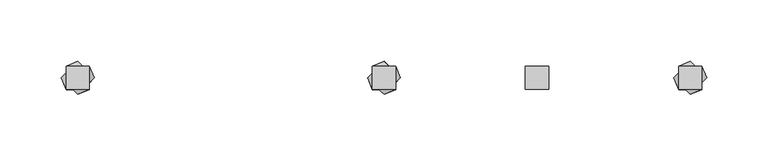
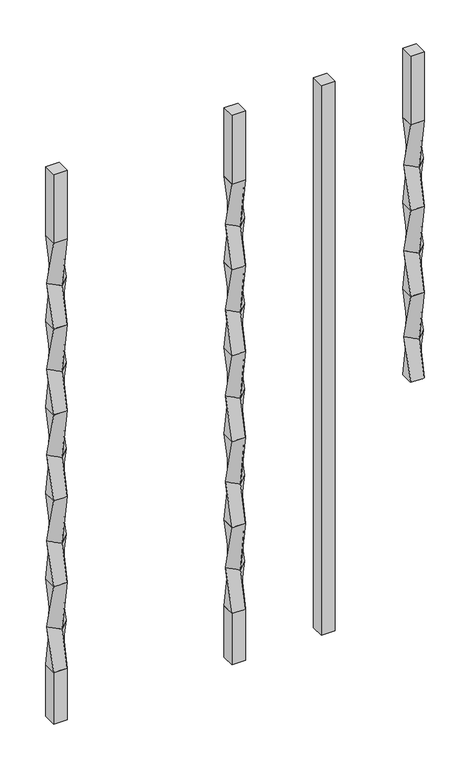
"""IFC4 building model written with IfcOpenShell, lengths in millimetres: proxy geometry."""

from ifc_helpers import new_model, si_unit, frame, origin, place, context, project, spatial, polyline, outline, extrude, source, transform, mapped, element, save
from ifc_brep_helpers import plane_surface, spline_surface, advanced_brep


def specialty_equipment_8f56bf2d(model_context):
    return source(origin(), model_context, "Body", "SolidModel", [
        extrude(outline(polyline([(134.540625, 9.525), (134.540625, -9.525), (115.490625, -9.525), (115.490625, 9.525), (134.540625, 9.525)])), frame((0.0, 0.0, 812.8), z_axis=(0.0, 0.0, 1.0), x_axis=(1.0, 0.0, 0.0)), (0.0, 0.0, 1.0), 101.6),
        advanced_brep(
        [(115.490625, 9.525, 812.8), (115.490625, -9.525, 812.8), (134.540625, -9.525, 812.8), (134.540625, 9.525, 812.8), (125.015625, 13.4703842, 749.3), (138.4860092, 0.0, 749.3), (125.015625, -13.4703842, 749.3), (111.5452408, 0.0, 749.3)],
        [
            (0, 1),
            (1, 2),
            (2, 3),
            (3, 0),
            (4, 5),
            (5, 6),
            (6, 7),
            (7, 4),
            (4, 0),
            (3, 5),
            (2, 6),
            (1, 7),
        ],
        [
            plane_surface(frame((125.015625, 0.0, 812.8), z_axis=(0.0, 0.0, 1.0), x_axis=(0.0, -1.0, 0.0))),
            plane_surface(frame((125.015625, 0.0, 749.3), z_axis=(0.0, 0.0, -1.0), x_axis=(0.0, -1.0, 0.0))),
            spline_surface(1, 1, [[(138.4860092, 0.0, 749.3), (134.540625, 9.525, 812.8)], [(125.015625, 13.4703842, 749.3), (115.490625, 9.525, 812.8)]], [2, 2], [2, 2], [0.0, 1.0], [0.0, 1.0]),
            spline_surface(1, 1, [[(125.015625, -13.4703842, 749.3), (134.540625, -9.525, 812.8)], [(138.4860092, 0.0, 749.3), (134.540625, 9.525, 812.8)]], [2, 2], [2, 2], [0.0, 1.0], [0.0, 1.0]),
            spline_surface(1, 1, [[(111.5452408, 0.0, 749.3), (115.490625, -9.525, 812.8)], [(125.015625, -13.4703842, 749.3), (134.540625, -9.525, 812.8)]], [2, 2], [2, 2], [0.0, 1.0], [0.0, 1.0]),
            spline_surface(1, 1, [[(125.015625, 13.4703842, 749.3), (115.490625, 9.525, 812.8)], [(111.5452408, 0.0, 749.3), (115.490625, -9.525, 812.8)]], [2, 2], [2, 2], [0.0, 1.0], [0.0, 1.0]),
        ],
        [
            (0, [[1, 2, 3, 4]]),
            (1, [[5, 6, 7, 8]]),
            (2, [[-5, 9, -4, 10]]),
            (3, [[-6, -10, -3, 11]]),
            (4, [[-7, -11, -2, 12]]),
            (5, [[-8, -12, -1, -9]]),
        ],
    ),
        advanced_brep(
        [(125.015625, 13.4703842, 749.3), (111.5452408, 0.0, 749.3), (125.015625, -13.4703842, 749.3), (138.4860092, 0.0, 749.3), (115.490625, 9.525, 685.8), (134.540625, 9.525, 685.8), (134.540625, -9.525, 685.8), (115.490625, -9.525, 685.8)],
        [
            (0, 1),
            (1, 2),
            (2, 3),
            (3, 0),
            (4, 5),
            (5, 6),
            (6, 7),
            (7, 4),
            (4, 0),
            (3, 5),
            (2, 6),
            (1, 7),
        ],
        [
            plane_surface(frame((125.015625, 0.0, 749.3), z_axis=(0.0, 0.0, 1.0000000000000002), x_axis=(0.7071067811865481, -0.707106781186547, 0.0))),
            plane_surface(frame((125.015625, 0.0, 685.8), z_axis=(0.0, 0.0, -1.0000000000000002), x_axis=(0.7071067811865481, -0.707106781186547, 0.0))),
            spline_surface(1, 1, [[(134.540625, 9.525, 685.8), (138.4860092, 0.0, 749.3)], [(115.490625, 9.525, 685.8), (125.015625, 13.4703842, 749.3)]], [2, 2], [2, 2], [0.0, 1.0], [0.0, 1.0]),
            spline_surface(1, 1, [[(134.540625, -9.525, 685.8), (125.015625, -13.4703842, 749.3)], [(134.540625, 9.525, 685.8), (138.4860092, 0.0, 749.3)]], [2, 2], [2, 2], [0.0, 1.0], [0.0, 1.0]),
            spline_surface(1, 1, [[(115.490625, -9.525, 685.8), (111.5452408, 0.0, 749.3)], [(134.540625, -9.525, 685.8), (125.015625, -13.4703842, 749.3)]], [2, 2], [2, 2], [0.0, 1.0], [0.0, 1.0]),
            spline_surface(1, 1, [[(115.490625, 9.525, 685.8), (125.015625, 13.4703842, 749.3)], [(115.490625, -9.525, 685.8), (111.5452408, 0.0, 749.3)]], [2, 2], [2, 2], [0.0, 1.0], [0.0, 1.0]),
        ],
        [
            (0, [[1, 2, 3, 4]]),
            (1, [[5, 6, 7, 8]]),
            (2, [[-5, 9, -4, 10]]),
            (3, [[-6, -10, -3, 11]]),
            (4, [[-7, -11, -2, 12]]),
            (5, [[-8, -12, -1, -9]]),
        ],
    ),
        advanced_brep(
        [(115.490625, 9.525, 685.8), (115.490625, -9.525, 685.8), (134.540625, -9.525, 685.8), (134.540625, 9.525, 685.8), (125.015625, 13.4703842, 622.3), (138.4860092, 0.0, 622.3), (125.015625, -13.4703842, 622.3), (111.5452408, 0.0, 622.3)],
        [
            (0, 1),
            (1, 2),
            (2, 3),
            (3, 0),
            (4, 5),
            (5, 6),
            (6, 7),
            (7, 4),
            (4, 0),
            (3, 5),
            (2, 6),
            (1, 7),
        ],
        [
            plane_surface(frame((125.015625, 0.0, 685.8), z_axis=(0.0, 0.0, 1.0), x_axis=(0.0, -1.0, 0.0))),
            plane_surface(frame((125.015625, 0.0, 622.3), z_axis=(0.0, 0.0, -1.0), x_axis=(0.0, -1.0, 0.0))),
            spline_surface(1, 1, [[(138.4860092, 0.0, 622.3), (134.540625, 9.525, 685.8)], [(125.015625, 13.4703842, 622.3), (115.490625, 9.525, 685.8)]], [2, 2], [2, 2], [0.0, 1.0], [0.0, 1.0]),
            spline_surface(1, 1, [[(125.015625, -13.4703842, 622.3), (134.540625, -9.525, 685.8)], [(138.4860092, 0.0, 622.3), (134.540625, 9.525, 685.8)]], [2, 2], [2, 2], [0.0, 1.0], [0.0, 1.0]),
            spline_surface(1, 1, [[(111.5452408, 0.0, 622.3), (115.490625, -9.525, 685.8)], [(125.015625, -13.4703842, 622.3), (134.540625, -9.525, 685.8)]], [2, 2], [2, 2], [0.0, 1.0], [0.0, 1.0]),
            spline_surface(1, 1, [[(125.015625, 13.4703842, 622.3), (115.490625, 9.525, 685.8)], [(111.5452408, 0.0, 622.3), (115.490625, -9.525, 685.8)]], [2, 2], [2, 2], [0.0, 1.0], [0.0, 1.0]),
        ],
        [
            (0, [[1, 2, 3, 4]]),
            (1, [[5, 6, 7, 8]]),
            (2, [[-5, 9, -4, 10]]),
            (3, [[-6, -10, -3, 11]]),
            (4, [[-7, -11, -2, 12]]),
            (5, [[-8, -12, -1, -9]]),
        ],
    ),
        advanced_brep(
        [(125.015625, 13.4703842, 622.3), (111.5452408, 0.0, 622.3), (125.015625, -13.4703842, 622.3), (138.4860092, 0.0, 622.3), (115.490625, 9.525, 558.8), (134.540625, 9.525, 558.8), (134.540625, -9.525, 558.8), (115.490625, -9.525, 558.8)],
        [
            (0, 1),
            (1, 2),
            (2, 3),
            (3, 0),
            (4, 5),
            (5, 6),
            (6, 7),
            (7, 4),
            (4, 0),
            (3, 5),
            (2, 6),
            (1, 7),
        ],
        [
            plane_surface(frame((125.015625, 0.0, 622.3), z_axis=(0.0, 0.0, 1.0000000000000002), x_axis=(0.7071067811865481, -0.707106781186547, 0.0))),
            plane_surface(frame((125.015625, 0.0, 558.8), z_axis=(0.0, 0.0, -1.0000000000000002), x_axis=(0.7071067811865481, -0.707106781186547, 0.0))),
            spline_surface(1, 1, [[(134.540625, 9.525, 558.8), (138.4860092, 0.0, 622.3)], [(115.490625, 9.525, 558.8), (125.015625, 13.4703842, 622.3)]], [2, 2], [2, 2], [0.0, 1.0], [0.0, 1.0]),
            spline_surface(1, 1, [[(134.540625, -9.525, 558.8), (125.015625, -13.4703842, 622.3)], [(134.540625, 9.525, 558.8), (138.4860092, 0.0, 622.3)]], [2, 2], [2, 2], [0.0, 1.0], [0.0, 1.0]),
            spline_surface(1, 1, [[(115.490625, -9.525, 558.8), (111.5452408, 0.0, 622.3)], [(134.540625, -9.525, 558.8), (125.015625, -13.4703842, 622.3)]], [2, 2], [2, 2], [0.0, 1.0], [0.0, 1.0]),
            spline_surface(1, 1, [[(115.490625, 9.525, 558.8), (125.015625, 13.4703842, 622.3)], [(115.490625, -9.525, 558.8), (111.5452408, 0.0, 622.3)]], [2, 2], [2, 2], [0.0, 1.0], [0.0, 1.0]),
        ],
        [
            (0, [[1, 2, 3, 4]]),
            (1, [[5, 6, 7, 8]]),
            (2, [[-5, 9, -4, 10]]),
            (3, [[-6, -10, -3, 11]]),
            (4, [[-7, -11, -2, 12]]),
            (5, [[-8, -12, -1, -9]]),
        ],
    ),
        advanced_brep(
        [(115.490625, 9.525, 558.8), (115.490625, -9.525, 558.8), (134.540625, -9.525, 558.8), (134.540625, 9.525, 558.8), (125.015625, 13.4703842, 495.3), (138.4860092, 0.0, 495.3), (125.015625, -13.4703842, 495.3), (111.5452408, 0.0, 495.3)],
        [
            (0, 1),
            (1, 2),
            (2, 3),
            (3, 0),
            (4, 5),
            (5, 6),
            (6, 7),
            (7, 4),
            (4, 0),
            (3, 5),
            (2, 6),
            (1, 7),
        ],
        [
            plane_surface(frame((125.015625, 0.0, 558.8), z_axis=(0.0, 0.0, 1.0), x_axis=(0.0, -1.0, 0.0))),
            plane_surface(frame((125.015625, 0.0, 495.3), z_axis=(0.0, 0.0, -1.0), x_axis=(0.0, -1.0, 0.0))),
            spline_surface(1, 1, [[(138.4860092, 0.0, 495.3), (134.540625, 9.525, 558.8)], [(125.015625, 13.4703842, 495.3), (115.490625, 9.525, 558.8)]], [2, 2], [2, 2], [0.0, 1.0], [0.0, 1.0]),
            spline_surface(1, 1, [[(125.015625, -13.4703842, 495.3), (134.540625, -9.525, 558.8)], [(138.4860092, 0.0, 495.3), (134.540625, 9.525, 558.8)]], [2, 2], [2, 2], [0.0, 1.0], [0.0, 1.0]),
            spline_surface(1, 1, [[(111.5452408, 0.0, 495.3), (115.490625, -9.525, 558.8)], [(125.015625, -13.4703842, 495.3), (134.540625, -9.525, 558.8)]], [2, 2], [2, 2], [0.0, 1.0], [0.0, 1.0]),
            spline_surface(1, 1, [[(125.015625, 13.4703842, 495.3), (115.490625, 9.525, 558.8)], [(111.5452408, 0.0, 495.3), (115.490625, -9.525, 558.8)]], [2, 2], [2, 2], [0.0, 1.0], [0.0, 1.0]),
        ],
        [
            (0, [[1, 2, 3, 4]]),
            (1, [[5, 6, 7, 8]]),
            (2, [[-5, 9, -4, 10]]),
            (3, [[-6, -10, -3, 11]]),
            (4, [[-7, -11, -2, 12]]),
            (5, [[-8, -12, -1, -9]]),
        ],
    ),
        advanced_brep(
        [(125.015625, 13.4703842, 495.3), (111.5452408, 0.0, 495.3), (125.015625, -13.4703842, 495.3), (138.4860092, 0.0, 495.3), (115.490625, 9.525, 431.8), (134.540625, 9.525, 431.8), (134.540625, -9.525, 431.8), (115.490625, -9.525, 431.8)],
        [
            (0, 1),
            (1, 2),
            (2, 3),
            (3, 0),
            (4, 5),
            (5, 6),
            (6, 7),
            (7, 4),
            (4, 0),
            (3, 5),
            (2, 6),
            (1, 7),
        ],
        [
            plane_surface(frame((125.015625, 0.0, 495.3), z_axis=(0.0, 0.0, 1.0000000000000002), x_axis=(0.7071067811865481, -0.707106781186547, 0.0))),
            plane_surface(frame((125.015625, 0.0, 431.8), z_axis=(0.0, 0.0, -1.0000000000000002), x_axis=(0.7071067811865481, -0.707106781186547, 0.0))),
            spline_surface(1, 1, [[(134.540625, 9.525, 431.8), (138.4860092, 0.0, 495.3)], [(115.490625, 9.525, 431.8), (125.015625, 13.4703842, 495.3)]], [2, 2], [2, 2], [0.0, 1.0], [0.0, 1.0]),
            spline_surface(1, 1, [[(134.540625, -9.525, 431.8), (125.015625, -13.4703842, 495.3)], [(134.540625, 9.525, 431.8), (138.4860092, 0.0, 495.3)]], [2, 2], [2, 2], [0.0, 1.0], [0.0, 1.0]),
            spline_surface(1, 1, [[(115.490625, -9.525, 431.8), (111.5452408, 0.0, 495.3)], [(134.540625, -9.525, 431.8), (125.015625, -13.4703842, 495.3)]], [2, 2], [2, 2], [0.0, 1.0], [0.0, 1.0]),
            spline_surface(1, 1, [[(115.490625, 9.525, 431.8), (125.015625, 13.4703842, 495.3)], [(115.490625, -9.525, 431.8), (111.5452408, 0.0, 495.3)]], [2, 2], [2, 2], [0.0, 1.0], [0.0, 1.0]),
        ],
        [
            (0, [[1, 2, 3, 4]]),
            (1, [[5, 6, 7, 8]]),
            (2, [[-5, 9, -4, 10]]),
            (3, [[-6, -10, -3, 11]]),
            (4, [[-7, -11, -2, 12]]),
            (5, [[-8, -12, -1, -9]]),
        ],
    ),
        advanced_brep(
        [(115.490625, 9.525, 431.8), (115.490625, -9.525, 431.8), (134.540625, -9.525, 431.8), (134.540625, 9.525, 431.8), (125.015625, 13.4703842, 368.3), (138.4860092, 0.0, 368.3), (125.015625, -13.4703842, 368.3), (111.5452408, 0.0, 368.3)],
        [
            (0, 1),
            (1, 2),
            (2, 3),
            (3, 0),
            (4, 5),
            (5, 6),
            (6, 7),
            (7, 4),
            (4, 0),
            (3, 5),
            (2, 6),
            (1, 7),
        ],
        [
            plane_surface(frame((125.015625, 0.0, 431.8), z_axis=(0.0, 0.0, 1.0), x_axis=(0.0, -1.0, 0.0))),
            plane_surface(frame((125.015625, 0.0, 368.3), z_axis=(0.0, 0.0, -1.0), x_axis=(0.0, -1.0, 0.0))),
            spline_surface(1, 1, [[(138.4860092, 0.0, 368.3), (134.540625, 9.525, 431.8)], [(125.015625, 13.4703842, 368.3), (115.490625, 9.525, 431.8)]], [2, 2], [2, 2], [0.0, 1.0], [0.0, 1.0]),
            spline_surface(1, 1, [[(125.015625, -13.4703842, 368.3), (134.540625, -9.525, 431.8)], [(138.4860092, 0.0, 368.3), (134.540625, 9.525, 431.8)]], [2, 2], [2, 2], [0.0, 1.0], [0.0, 1.0]),
            spline_surface(1, 1, [[(111.5452408, 0.0, 368.3), (115.490625, -9.525, 431.8)], [(125.015625, -13.4703842, 368.3), (134.540625, -9.525, 431.8)]], [2, 2], [2, 2], [0.0, 1.0], [0.0, 1.0]),
            spline_surface(1, 1, [[(125.015625, 13.4703842, 368.3), (115.490625, 9.525, 431.8)], [(111.5452408, 0.0, 368.3), (115.490625, -9.525, 431.8)]], [2, 2], [2, 2], [0.0, 1.0], [0.0, 1.0]),
        ],
        [
            (0, [[1, 2, 3, 4]]),
            (1, [[5, 6, 7, 8]]),
            (2, [[-5, 9, -4, 10]]),
            (3, [[-6, -10, -3, 11]]),
            (4, [[-7, -11, -2, 12]]),
            (5, [[-8, -12, -1, -9]]),
        ],
    ),
        advanced_brep(
        [(125.015625, 13.4703842, 368.3), (111.5452408, 0.0, 368.3), (125.015625, -13.4703842, 368.3), (138.4860092, 0.0, 368.3), (115.490625, 9.525, 304.8), (134.540625, 9.525, 304.8), (134.540625, -9.525, 304.8), (115.490625, -9.525, 304.8)],
        [
            (0, 1),
            (1, 2),
            (2, 3),
            (3, 0),
            (4, 5),
            (5, 6),
            (6, 7),
            (7, 4),
            (4, 0),
            (3, 5),
            (2, 6),
            (1, 7),
        ],
        [
            plane_surface(frame((125.015625, 0.0, 368.3), z_axis=(0.0, 0.0, 1.0000000000000002), x_axis=(0.7071067811865481, -0.707106781186547, 0.0))),
            plane_surface(frame((125.015625, 0.0, 304.8), z_axis=(0.0, 0.0, -1.0000000000000002), x_axis=(0.7071067811865481, -0.707106781186547, 0.0))),
            spline_surface(1, 1, [[(134.540625, 9.525, 304.8), (138.4860092, 0.0, 368.3)], [(115.490625, 9.525, 304.8), (125.015625, 13.4703842, 368.3)]], [2, 2], [2, 2], [0.0, 1.0], [0.0, 1.0]),
            spline_surface(1, 1, [[(134.540625, -9.525, 304.8), (125.015625, -13.4703842, 368.3)], [(134.540625, 9.525, 304.8), (138.4860092, 0.0, 368.3)]], [2, 2], [2, 2], [0.0, 1.0], [0.0, 1.0]),
            spline_surface(1, 1, [[(115.490625, -9.525, 304.8), (111.5452408, 0.0, 368.3)], [(134.540625, -9.525, 304.8), (125.015625, -13.4703842, 368.3)]], [2, 2], [2, 2], [0.0, 1.0], [0.0, 1.0]),
            spline_surface(1, 1, [[(115.490625, 9.525, 304.8), (125.015625, 13.4703842, 368.3)], [(115.490625, -9.525, 304.8), (111.5452408, 0.0, 368.3)]], [2, 2], [2, 2], [0.0, 1.0], [0.0, 1.0]),
        ],
        [
            (0, [[1, 2, 3, 4]]),
            (1, [[5, 6, 7, 8]]),
            (2, [[-5, 9, -4, 10]]),
            (3, [[-6, -10, -3, 11]]),
            (4, [[-7, -11, -2, 12]]),
            (5, [[-8, -12, -1, -9]]),
        ],
    ),
        advanced_brep(
        [(115.490625, 9.525, 304.8), (115.490625, -9.525, 304.8), (134.540625, -9.525, 304.8), (134.540625, 9.525, 304.8), (125.015625, 13.4703842, 241.3), (138.4860092, 0.0, 241.3), (125.015625, -13.4703842, 241.3), (111.5452408, 0.0, 241.3)],
        [
            (0, 1),
            (1, 2),
            (2, 3),
            (3, 0),
            (4, 5),
            (5, 6),
            (6, 7),
            (7, 4),
            (4, 0),
            (3, 5),
            (2, 6),
            (1, 7),
        ],
        [
            plane_surface(frame((125.015625, 0.0, 304.8), z_axis=(0.0, 0.0, 1.0), x_axis=(0.0, -1.0, 0.0))),
            plane_surface(frame((125.015625, 0.0, 241.3), z_axis=(0.0, 0.0, -1.0), x_axis=(0.0, -1.0, 0.0))),
            spline_surface(1, 1, [[(138.4860092, 0.0, 241.3), (134.540625, 9.525, 304.8)], [(125.015625, 13.4703842, 241.3), (115.490625, 9.525, 304.8)]], [2, 2], [2, 2], [0.0, 1.0], [0.0, 1.0]),
            spline_surface(1, 1, [[(125.015625, -13.4703842, 241.3), (134.540625, -9.525, 304.8)], [(138.4860092, 0.0, 241.3), (134.540625, 9.525, 304.8)]], [2, 2], [2, 2], [0.0, 1.0], [0.0, 1.0]),
            spline_surface(1, 1, [[(111.5452408, 0.0, 241.3), (115.490625, -9.525, 304.8)], [(125.015625, -13.4703842, 241.3), (134.540625, -9.525, 304.8)]], [2, 2], [2, 2], [0.0, 1.0], [0.0, 1.0]),
            spline_surface(1, 1, [[(125.015625, 13.4703842, 241.3), (115.490625, 9.525, 304.8)], [(111.5452408, 0.0, 241.3), (115.490625, -9.525, 304.8)]], [2, 2], [2, 2], [0.0, 1.0], [0.0, 1.0]),
        ],
        [
            (0, [[1, 2, 3, 4]]),
            (1, [[5, 6, 7, 8]]),
            (2, [[-5, 9, -4, 10]]),
            (3, [[-6, -10, -3, 11]]),
            (4, [[-7, -11, -2, 12]]),
            (5, [[-8, -12, -1, -9]]),
        ],
    ),
        advanced_brep(
        [(125.015625, 13.4703842, 241.3), (111.5452408, 0.0, 241.3), (125.015625, -13.4703842, 241.3), (138.4860092, 0.0, 241.3), (115.490625, 9.525, 177.8), (134.540625, 9.525, 177.8), (134.540625, -9.525, 177.8), (115.490625, -9.525, 177.8)],
        [
            (0, 1),
            (1, 2),
            (2, 3),
            (3, 0),
            (4, 5),
            (5, 6),
            (6, 7),
            (7, 4),
            (4, 0),
            (3, 5),
            (2, 6),
            (1, 7),
        ],
        [
            plane_surface(frame((125.015625, 0.0, 241.3), z_axis=(0.0, 0.0, 1.0000000000000002), x_axis=(0.7071067811865481, -0.707106781186547, 0.0))),
            plane_surface(frame((125.015625, 0.0, 177.8), z_axis=(0.0, 0.0, -1.0000000000000002), x_axis=(0.7071067811865481, -0.707106781186547, 0.0))),
            spline_surface(1, 1, [[(134.540625, 9.525, 177.8), (138.4860092, 0.0, 241.3)], [(115.490625, 9.525, 177.8), (125.015625, 13.4703842, 241.3)]], [2, 2], [2, 2], [0.0, 1.0], [0.0, 1.0]),
            spline_surface(1, 1, [[(134.540625, -9.525, 177.8), (125.015625, -13.4703842, 241.3)], [(134.540625, 9.525, 177.8), (138.4860092, 0.0, 241.3)]], [2, 2], [2, 2], [0.0, 1.0], [0.0, 1.0]),
            spline_surface(1, 1, [[(115.490625, -9.525, 177.8), (111.5452408, 0.0, 241.3)], [(134.540625, -9.525, 177.8), (125.015625, -13.4703842, 241.3)]], [2, 2], [2, 2], [0.0, 1.0], [0.0, 1.0]),
            spline_surface(1, 1, [[(115.490625, 9.525, 177.8), (125.015625, 13.4703842, 241.3)], [(115.490625, -9.525, 177.8), (111.5452408, 0.0, 241.3)]], [2, 2], [2, 2], [0.0, 1.0], [0.0, 1.0]),
        ],
        [
            (0, [[1, 2, 3, 4]]),
            (1, [[5, 6, 7, 8]]),
            (2, [[-5, 9, -4, 10]]),
            (3, [[-6, -10, -3, 11]]),
            (4, [[-7, -11, -2, 12]]),
            (5, [[-8, -12, -1, -9]]),
        ],
    ),
        extrude(outline(polyline([(134.540625, 9.525), (134.540625, -9.525), (115.490625, -9.525), (115.490625, 9.525), (134.540625, 9.525)])), frame((0.0, 0.0, 101.6), z_axis=(0.0, 0.0, 1.0), x_axis=(1.0, 0.0, 0.0)), (0.0, 0.0, 1.0), 76.2),
        extrude(outline(polyline([(259.55625, 9.525), (259.55625, -9.525), (240.50625, -9.525), (240.50625, 9.525), (259.55625, 9.525)])), frame((0.0, 0.0, 101.6), z_axis=(0.0, 0.0, 1.0), x_axis=(1.0, 0.0, 0.0)), (0.0, 0.0, 1.0), 812.8),
        extrude(outline(polyline([(-115.490625, 9.525), (-115.490625, -9.525), (-134.540625, -9.525), (-134.540625, 9.525), (-115.490625, 9.525)])), frame((0.0, 0.0, 812.8), z_axis=(0.0, 0.0, 1.0), x_axis=(1.0, 0.0, 0.0)), (0.0, 0.0, 1.0), 101.6),
        advanced_brep(
        [(-134.540625, 9.525, 812.8), (-134.540625, -9.525, 812.8), (-115.490625, -9.525, 812.8), (-115.490625, 9.525, 812.8), (-125.015625, 13.4703842, 749.3), (-111.5452408, 0.0, 749.3), (-125.015625, -13.4703842, 749.3), (-138.4860092, 0.0, 749.3)],
        [
            (0, 1),
            (1, 2),
            (2, 3),
            (3, 0),
            (4, 5),
            (5, 6),
            (6, 7),
            (7, 4),
            (4, 0),
            (3, 5),
            (2, 6),
            (1, 7),
        ],
        [
            plane_surface(frame((-125.015625, 0.0, 812.8), z_axis=(0.0, 0.0, 1.0), x_axis=(0.0, -1.0, 0.0))),
            plane_surface(frame((-125.015625, 0.0, 749.3), z_axis=(0.0, 0.0, -1.0), x_axis=(0.0, -1.0, 0.0))),
            spline_surface(1, 1, [[(-111.5452408, 0.0, 749.3), (-115.490625, 9.525, 812.8)], [(-125.015625, 13.4703842, 749.3), (-134.540625, 9.525, 812.8)]], [2, 2], [2, 2], [0.0, 1.0], [0.0, 1.0]),
            spline_surface(1, 1, [[(-125.015625, -13.4703842, 749.3), (-115.490625, -9.525, 812.8)], [(-111.5452408, 0.0, 749.3), (-115.490625, 9.525, 812.8)]], [2, 2], [2, 2], [0.0, 1.0], [0.0, 1.0]),
            spline_surface(1, 1, [[(-138.4860092, 0.0, 749.3), (-134.540625, -9.525, 812.8)], [(-125.015625, -13.4703842, 749.3), (-115.490625, -9.525, 812.8)]], [2, 2], [2, 2], [0.0, 1.0], [0.0, 1.0]),
            spline_surface(1, 1, [[(-125.015625, 13.4703842, 749.3), (-134.540625, 9.525, 812.8)], [(-138.4860092, 0.0, 749.3), (-134.540625, -9.525, 812.8)]], [2, 2], [2, 2], [0.0, 1.0], [0.0, 1.0]),
        ],
        [
            (0, [[1, 2, 3, 4]]),
            (1, [[5, 6, 7, 8]]),
            (2, [[-5, 9, -4, 10]]),
            (3, [[-6, -10, -3, 11]]),
            (4, [[-7, -11, -2, 12]]),
            (5, [[-8, -12, -1, -9]]),
        ],
    ),
        advanced_brep(
        [(-125.015625, 13.4703842, 749.3), (-138.4860092, 0.0, 749.3), (-125.015625, -13.4703842, 749.3), (-111.5452408, 0.0, 749.3), (-134.540625, 9.525, 685.8), (-115.490625, 9.525, 685.8), (-115.490625, -9.525, 685.8), (-134.540625, -9.525, 685.8)],
        [
            (0, 1),
            (1, 2),
            (2, 3),
            (3, 0),
            (4, 5),
            (5, 6),
            (6, 7),
            (7, 4),
            (4, 0),
            (3, 5),
            (2, 6),
            (1, 7),
        ],
        [
            plane_surface(frame((-125.015625, 0.0, 749.3), z_axis=(0.0, 0.0, 1.0000000000000002), x_axis=(0.7071067811865481, -0.707106781186547, 0.0))),
            plane_surface(frame((-125.015625, 0.0, 685.8), z_axis=(0.0, 0.0, -1.0000000000000002), x_axis=(0.7071067811865481, -0.707106781186547, 0.0))),
            spline_surface(1, 1, [[(-115.490625, 9.525, 685.8), (-111.5452408, 0.0, 749.3)], [(-134.540625, 9.525, 685.8), (-125.015625, 13.4703842, 749.3)]], [2, 2], [2, 2], [0.0, 1.0], [0.0, 1.0]),
            spline_surface(1, 1, [[(-115.490625, -9.525, 685.8), (-125.015625, -13.4703842, 749.3)], [(-115.490625, 9.525, 685.8), (-111.5452408, 0.0, 749.3)]], [2, 2], [2, 2], [0.0, 1.0], [0.0, 1.0]),
            spline_surface(1, 1, [[(-134.540625, -9.525, 685.8), (-138.4860092, 0.0, 749.3)], [(-115.490625, -9.525, 685.8), (-125.015625, -13.4703842, 749.3)]], [2, 2], [2, 2], [0.0, 1.0], [0.0, 1.0]),
            spline_surface(1, 1, [[(-134.540625, 9.525, 685.8), (-125.015625, 13.4703842, 749.3)], [(-134.540625, -9.525, 685.8), (-138.4860092, 0.0, 749.3)]], [2, 2], [2, 2], [0.0, 1.0], [0.0, 1.0]),
        ],
        [
            (0, [[1, 2, 3, 4]]),
            (1, [[5, 6, 7, 8]]),
            (2, [[-5, 9, -4, 10]]),
            (3, [[-6, -10, -3, 11]]),
            (4, [[-7, -11, -2, 12]]),
            (5, [[-8, -12, -1, -9]]),
        ],
    ),
        advanced_brep(
        [(-134.540625, 9.525, 685.8), (-134.540625, -9.525, 685.8), (-115.490625, -9.525, 685.8), (-115.490625, 9.525, 685.8), (-125.015625, 13.4703842, 622.3), (-111.5452408, 0.0, 622.3), (-125.015625, -13.4703842, 622.3), (-138.4860092, 0.0, 622.3)],
        [
            (0, 1),
            (1, 2),
            (2, 3),
            (3, 0),
            (4, 5),
            (5, 6),
            (6, 7),
            (7, 4),
            (4, 0),
            (3, 5),
            (2, 6),
            (1, 7),
        ],
        [
            plane_surface(frame((-125.015625, 0.0, 685.8), z_axis=(0.0, 0.0, 1.0), x_axis=(0.0, -1.0, 0.0))),
            plane_surface(frame((-125.015625, 0.0, 622.3), z_axis=(0.0, 0.0, -1.0), x_axis=(0.0, -1.0, 0.0))),
            spline_surface(1, 1, [[(-111.5452408, 0.0, 622.3), (-115.490625, 9.525, 685.8)], [(-125.015625, 13.4703842, 622.3), (-134.540625, 9.525, 685.8)]], [2, 2], [2, 2], [0.0, 1.0], [0.0, 1.0]),
            spline_surface(1, 1, [[(-125.015625, -13.4703842, 622.3), (-115.490625, -9.525, 685.8)], [(-111.5452408, 0.0, 622.3), (-115.490625, 9.525, 685.8)]], [2, 2], [2, 2], [0.0, 1.0], [0.0, 1.0]),
            spline_surface(1, 1, [[(-138.4860092, 0.0, 622.3), (-134.540625, -9.525, 685.8)], [(-125.015625, -13.4703842, 622.3), (-115.490625, -9.525, 685.8)]], [2, 2], [2, 2], [0.0, 1.0], [0.0, 1.0]),
            spline_surface(1, 1, [[(-125.015625, 13.4703842, 622.3), (-134.540625, 9.525, 685.8)], [(-138.4860092, 0.0, 622.3), (-134.540625, -9.525, 685.8)]], [2, 2], [2, 2], [0.0, 1.0], [0.0, 1.0]),
        ],
        [
            (0, [[1, 2, 3, 4]]),
            (1, [[5, 6, 7, 8]]),
            (2, [[-5, 9, -4, 10]]),
            (3, [[-6, -10, -3, 11]]),
            (4, [[-7, -11, -2, 12]]),
            (5, [[-8, -12, -1, -9]]),
        ],
    ),
        advanced_brep(
        [(-125.015625, 13.4703842, 622.3), (-138.4860092, 0.0, 622.3), (-125.015625, -13.4703842, 622.3), (-111.5452408, 0.0, 622.3), (-134.540625, 9.525, 558.8), (-115.490625, 9.525, 558.8), (-115.490625, -9.525, 558.8), (-134.540625, -9.525, 558.8)],
        [
            (0, 1),
            (1, 2),
            (2, 3),
            (3, 0),
            (4, 5),
            (5, 6),
            (6, 7),
            (7, 4),
            (4, 0),
            (3, 5),
            (2, 6),
            (1, 7),
        ],
        [
            plane_surface(frame((-125.015625, 0.0, 622.3), z_axis=(0.0, 0.0, 1.0000000000000002), x_axis=(0.7071067811865481, -0.707106781186547, 0.0))),
            plane_surface(frame((-125.015625, 0.0, 558.8), z_axis=(0.0, 0.0, -1.0000000000000002), x_axis=(0.7071067811865481, -0.707106781186547, 0.0))),
            spline_surface(1, 1, [[(-115.490625, 9.525, 558.8), (-111.5452408, 0.0, 622.3)], [(-134.540625, 9.525, 558.8), (-125.015625, 13.4703842, 622.3)]], [2, 2], [2, 2], [0.0, 1.0], [0.0, 1.0]),
            spline_surface(1, 1, [[(-115.490625, -9.525, 558.8), (-125.015625, -13.4703842, 622.3)], [(-115.490625, 9.525, 558.8), (-111.5452408, 0.0, 622.3)]], [2, 2], [2, 2], [0.0, 1.0], [0.0, 1.0]),
            spline_surface(1, 1, [[(-134.540625, -9.525, 558.8), (-138.4860092, 0.0, 622.3)], [(-115.490625, -9.525, 558.8), (-125.015625, -13.4703842, 622.3)]], [2, 2], [2, 2], [0.0, 1.0], [0.0, 1.0]),
            spline_surface(1, 1, [[(-134.540625, 9.525, 558.8), (-125.015625, 13.4703842, 622.3)], [(-134.540625, -9.525, 558.8), (-138.4860092, 0.0, 622.3)]], [2, 2], [2, 2], [0.0, 1.0], [0.0, 1.0]),
        ],
        [
            (0, [[1, 2, 3, 4]]),
            (1, [[5, 6, 7, 8]]),
            (2, [[-5, 9, -4, 10]]),
            (3, [[-6, -10, -3, 11]]),
            (4, [[-7, -11, -2, 12]]),
            (5, [[-8, -12, -1, -9]]),
        ],
    ),
        advanced_brep(
        [(-134.540625, 9.525, 558.8), (-134.540625, -9.525, 558.8), (-115.490625, -9.525, 558.8), (-115.490625, 9.525, 558.8), (-125.015625, 13.4703842, 495.3), (-111.5452408, 0.0, 495.3), (-125.015625, -13.4703842, 495.3), (-138.4860092, 0.0, 495.3)],
        [
            (0, 1),
            (1, 2),
            (2, 3),
            (3, 0),
            (4, 5),
            (5, 6),
            (6, 7),
            (7, 4),
            (4, 0),
            (3, 5),
            (2, 6),
            (1, 7),
        ],
        [
            plane_surface(frame((-125.015625, 0.0, 558.8), z_axis=(0.0, 0.0, 1.0), x_axis=(0.0, -1.0, 0.0))),
            plane_surface(frame((-125.015625, 0.0, 495.3), z_axis=(0.0, 0.0, -1.0), x_axis=(0.0, -1.0, 0.0))),
            spline_surface(1, 1, [[(-111.5452408, 0.0, 495.3), (-115.490625, 9.525, 558.8)], [(-125.015625, 13.4703842, 495.3), (-134.540625, 9.525, 558.8)]], [2, 2], [2, 2], [0.0, 1.0], [0.0, 1.0]),
            spline_surface(1, 1, [[(-125.015625, -13.4703842, 495.3), (-115.490625, -9.525, 558.8)], [(-111.5452408, 0.0, 495.3), (-115.490625, 9.525, 558.8)]], [2, 2], [2, 2], [0.0, 1.0], [0.0, 1.0]),
            spline_surface(1, 1, [[(-138.4860092, 0.0, 495.3), (-134.540625, -9.525, 558.8)], [(-125.015625, -13.4703842, 495.3), (-115.490625, -9.525, 558.8)]], [2, 2], [2, 2], [0.0, 1.0], [0.0, 1.0]),
            spline_surface(1, 1, [[(-125.015625, 13.4703842, 495.3), (-134.540625, 9.525, 558.8)], [(-138.4860092, 0.0, 495.3), (-134.540625, -9.525, 558.8)]], [2, 2], [2, 2], [0.0, 1.0], [0.0, 1.0]),
        ],
        [
            (0, [[1, 2, 3, 4]]),
            (1, [[5, 6, 7, 8]]),
            (2, [[-5, 9, -4, 10]]),
            (3, [[-6, -10, -3, 11]]),
            (4, [[-7, -11, -2, 12]]),
            (5, [[-8, -12, -1, -9]]),
        ],
    ),
        advanced_brep(
        [(-125.015625, 13.4703842, 495.3), (-138.4860092, 0.0, 495.3), (-125.015625, -13.4703842, 495.3), (-111.5452408, 0.0, 495.3), (-134.540625, 9.525, 431.8), (-115.490625, 9.525, 431.8), (-115.490625, -9.525, 431.8), (-134.540625, -9.525, 431.8)],
        [
            (0, 1),
            (1, 2),
            (2, 3),
            (3, 0),
            (4, 5),
            (5, 6),
            (6, 7),
            (7, 4),
            (4, 0),
            (3, 5),
            (2, 6),
            (1, 7),
        ],
        [
            plane_surface(frame((-125.015625, 0.0, 495.3), z_axis=(0.0, 0.0, 1.0000000000000002), x_axis=(0.7071067811865481, -0.707106781186547, 0.0))),
            plane_surface(frame((-125.015625, 0.0, 431.8), z_axis=(0.0, 0.0, -1.0000000000000002), x_axis=(0.7071067811865481, -0.707106781186547, 0.0))),
            spline_surface(1, 1, [[(-115.490625, 9.525, 431.8), (-111.5452408, 0.0, 495.3)], [(-134.540625, 9.525, 431.8), (-125.015625, 13.4703842, 495.3)]], [2, 2], [2, 2], [0.0, 1.0], [0.0, 1.0]),
            spline_surface(1, 1, [[(-115.490625, -9.525, 431.8), (-125.015625, -13.4703842, 495.3)], [(-115.490625, 9.525, 431.8), (-111.5452408, 0.0, 495.3)]], [2, 2], [2, 2], [0.0, 1.0], [0.0, 1.0]),
            spline_surface(1, 1, [[(-134.540625, -9.525, 431.8), (-138.4860092, 0.0, 495.3)], [(-115.490625, -9.525, 431.8), (-125.015625, -13.4703842, 495.3)]], [2, 2], [2, 2], [0.0, 1.0], [0.0, 1.0]),
            spline_surface(1, 1, [[(-134.540625, 9.525, 431.8), (-125.015625, 13.4703842, 495.3)], [(-134.540625, -9.525, 431.8), (-138.4860092, 0.0, 495.3)]], [2, 2], [2, 2], [0.0, 1.0], [0.0, 1.0]),
        ],
        [
            (0, [[1, 2, 3, 4]]),
            (1, [[5, 6, 7, 8]]),
            (2, [[-5, 9, -4, 10]]),
            (3, [[-6, -10, -3, 11]]),
            (4, [[-7, -11, -2, 12]]),
            (5, [[-8, -12, -1, -9]]),
        ],
    ),
        advanced_brep(
        [(-134.540625, 9.525, 431.8), (-134.540625, -9.525, 431.8), (-115.490625, -9.525, 431.8), (-115.490625, 9.525, 431.8), (-125.015625, 13.4703842, 368.3), (-111.5452408, 0.0, 368.3), (-125.015625, -13.4703842, 368.3), (-138.4860092, 0.0, 368.3)],
        [
            (0, 1),
            (1, 2),
            (2, 3),
            (3, 0),
            (4, 5),
            (5, 6),
            (6, 7),
            (7, 4),
            (4, 0),
            (3, 5),
            (2, 6),
            (1, 7),
        ],
        [
            plane_surface(frame((-125.015625, 0.0, 431.8), z_axis=(0.0, 0.0, 1.0), x_axis=(0.0, -1.0, 0.0))),
            plane_surface(frame((-125.015625, 0.0, 368.3), z_axis=(0.0, 0.0, -1.0), x_axis=(0.0, -1.0, 0.0))),
            spline_surface(1, 1, [[(-111.5452408, 0.0, 368.3), (-115.490625, 9.525, 431.8)], [(-125.015625, 13.4703842, 368.3), (-134.540625, 9.525, 431.8)]], [2, 2], [2, 2], [0.0, 1.0], [0.0, 1.0]),
            spline_surface(1, 1, [[(-125.015625, -13.4703842, 368.3), (-115.490625, -9.525, 431.8)], [(-111.5452408, 0.0, 368.3), (-115.490625, 9.525, 431.8)]], [2, 2], [2, 2], [0.0, 1.0], [0.0, 1.0]),
            spline_surface(1, 1, [[(-138.4860092, 0.0, 368.3), (-134.540625, -9.525, 431.8)], [(-125.015625, -13.4703842, 368.3), (-115.490625, -9.525, 431.8)]], [2, 2], [2, 2], [0.0, 1.0], [0.0, 1.0]),
            spline_surface(1, 1, [[(-125.015625, 13.4703842, 368.3), (-134.540625, 9.525, 431.8)], [(-138.4860092, 0.0, 368.3), (-134.540625, -9.525, 431.8)]], [2, 2], [2, 2], [0.0, 1.0], [0.0, 1.0]),
        ],
        [
            (0, [[1, 2, 3, 4]]),
            (1, [[5, 6, 7, 8]]),
            (2, [[-5, 9, -4, 10]]),
            (3, [[-6, -10, -3, 11]]),
            (4, [[-7, -11, -2, 12]]),
            (5, [[-8, -12, -1, -9]]),
        ],
    ),
        advanced_brep(
        [(-125.015625, 13.4703842, 368.3), (-138.4860092, 0.0, 368.3), (-125.015625, -13.4703842, 368.3), (-111.5452408, 0.0, 368.3), (-134.540625, 9.525, 304.8), (-115.490625, 9.525, 304.8), (-115.490625, -9.525, 304.8), (-134.540625, -9.525, 304.8)],
        [
            (0, 1),
            (1, 2),
            (2, 3),
            (3, 0),
            (4, 5),
            (5, 6),
            (6, 7),
            (7, 4),
            (4, 0),
            (3, 5),
            (2, 6),
            (1, 7),
        ],
        [
            plane_surface(frame((-125.015625, 0.0, 368.3), z_axis=(0.0, 0.0, 1.0000000000000002), x_axis=(0.7071067811865481, -0.707106781186547, 0.0))),
            plane_surface(frame((-125.015625, 0.0, 304.8), z_axis=(0.0, 0.0, -1.0000000000000002), x_axis=(0.7071067811865481, -0.707106781186547, 0.0))),
            spline_surface(1, 1, [[(-115.490625, 9.525, 304.8), (-111.5452408, 0.0, 368.3)], [(-134.540625, 9.525, 304.8), (-125.015625, 13.4703842, 368.3)]], [2, 2], [2, 2], [0.0, 1.0], [0.0, 1.0]),
            spline_surface(1, 1, [[(-115.490625, -9.525, 304.8), (-125.015625, -13.4703842, 368.3)], [(-115.490625, 9.525, 304.8), (-111.5452408, 0.0, 368.3)]], [2, 2], [2, 2], [0.0, 1.0], [0.0, 1.0]),
            spline_surface(1, 1, [[(-134.540625, -9.525, 304.8), (-138.4860092, 0.0, 368.3)], [(-115.490625, -9.525, 304.8), (-125.015625, -13.4703842, 368.3)]], [2, 2], [2, 2], [0.0, 1.0], [0.0, 1.0]),
            spline_surface(1, 1, [[(-134.540625, 9.525, 304.8), (-125.015625, 13.4703842, 368.3)], [(-134.540625, -9.525, 304.8), (-138.4860092, 0.0, 368.3)]], [2, 2], [2, 2], [0.0, 1.0], [0.0, 1.0]),
        ],
        [
            (0, [[1, 2, 3, 4]]),
            (1, [[5, 6, 7, 8]]),
            (2, [[-5, 9, -4, 10]]),
            (3, [[-6, -10, -3, 11]]),
            (4, [[-7, -11, -2, 12]]),
            (5, [[-8, -12, -1, -9]]),
        ],
    ),
        advanced_brep(
        [(-134.540625, 9.525, 304.8), (-134.540625, -9.525, 304.8), (-115.490625, -9.525, 304.8), (-115.490625, 9.525, 304.8), (-125.015625, 13.4703842, 241.3), (-111.5452408, 0.0, 241.3), (-125.015625, -13.4703842, 241.3), (-138.4860092, 0.0, 241.3)],
        [
            (0, 1),
            (1, 2),
            (2, 3),
            (3, 0),
            (4, 5),
            (5, 6),
            (6, 7),
            (7, 4),
            (4, 0),
            (3, 5),
            (2, 6),
            (1, 7),
        ],
        [
            plane_surface(frame((-125.015625, 0.0, 304.8), z_axis=(0.0, 0.0, 1.0), x_axis=(0.0, -1.0, 0.0))),
            plane_surface(frame((-125.015625, 0.0, 241.3), z_axis=(0.0, 0.0, -1.0), x_axis=(0.0, -1.0, 0.0))),
            spline_surface(1, 1, [[(-111.5452408, 0.0, 241.3), (-115.490625, 9.525, 304.8)], [(-125.015625, 13.4703842, 241.3), (-134.540625, 9.525, 304.8)]], [2, 2], [2, 2], [0.0, 1.0], [0.0, 1.0]),
            spline_surface(1, 1, [[(-125.015625, -13.4703842, 241.3), (-115.490625, -9.525, 304.8)], [(-111.5452408, 0.0, 241.3), (-115.490625, 9.525, 304.8)]], [2, 2], [2, 2], [0.0, 1.0], [0.0, 1.0]),
            spline_surface(1, 1, [[(-138.4860092, 0.0, 241.3), (-134.540625, -9.525, 304.8)], [(-125.015625, -13.4703842, 241.3), (-115.490625, -9.525, 304.8)]], [2, 2], [2, 2], [0.0, 1.0], [0.0, 1.0]),
            spline_surface(1, 1, [[(-125.015625, 13.4703842, 241.3), (-134.540625, 9.525, 304.8)], [(-138.4860092, 0.0, 241.3), (-134.540625, -9.525, 304.8)]], [2, 2], [2, 2], [0.0, 1.0], [0.0, 1.0]),
        ],
        [
            (0, [[1, 2, 3, 4]]),
            (1, [[5, 6, 7, 8]]),
            (2, [[-5, 9, -4, 10]]),
            (3, [[-6, -10, -3, 11]]),
            (4, [[-7, -11, -2, 12]]),
            (5, [[-8, -12, -1, -9]]),
        ],
    ),
        advanced_brep(
        [(-125.015625, 13.4703842, 241.3), (-138.4860092, 0.0, 241.3), (-125.015625, -13.4703842, 241.3), (-111.5452408, 0.0, 241.3), (-134.540625, 9.525, 177.8), (-115.490625, 9.525, 177.8), (-115.490625, -9.525, 177.8), (-134.540625, -9.525, 177.8)],
        [
            (0, 1),
            (1, 2),
            (2, 3),
            (3, 0),
            (4, 5),
            (5, 6),
            (6, 7),
            (7, 4),
            (4, 0),
            (3, 5),
            (2, 6),
            (1, 7),
        ],
        [
            plane_surface(frame((-125.015625, 0.0, 241.3), z_axis=(0.0, 0.0, 1.0000000000000002), x_axis=(0.7071067811865481, -0.707106781186547, 0.0))),
            plane_surface(frame((-125.015625, 0.0, 177.8), z_axis=(0.0, 0.0, -1.0000000000000002), x_axis=(0.7071067811865481, -0.707106781186547, 0.0))),
            spline_surface(1, 1, [[(-115.490625, 9.525, 177.8), (-111.5452408, 0.0, 241.3)], [(-134.540625, 9.525, 177.8), (-125.015625, 13.4703842, 241.3)]], [2, 2], [2, 2], [0.0, 1.0], [0.0, 1.0]),
            spline_surface(1, 1, [[(-115.490625, -9.525, 177.8), (-125.015625, -13.4703842, 241.3)], [(-115.490625, 9.525, 177.8), (-111.5452408, 0.0, 241.3)]], [2, 2], [2, 2], [0.0, 1.0], [0.0, 1.0]),
            spline_surface(1, 1, [[(-134.540625, -9.525, 177.8), (-138.4860092, 0.0, 241.3)], [(-115.490625, -9.525, 177.8), (-125.015625, -13.4703842, 241.3)]], [2, 2], [2, 2], [0.0, 1.0], [0.0, 1.0]),
            spline_surface(1, 1, [[(-134.540625, 9.525, 177.8), (-125.015625, 13.4703842, 241.3)], [(-134.540625, -9.525, 177.8), (-138.4860092, 0.0, 241.3)]], [2, 2], [2, 2], [0.0, 1.0], [0.0, 1.0]),
        ],
        [
            (0, [[1, 2, 3, 4]]),
            (1, [[5, 6, 7, 8]]),
            (2, [[-5, 9, -4, 10]]),
            (3, [[-6, -10, -3, 11]]),
            (4, [[-7, -11, -2, 12]]),
            (5, [[-8, -12, -1, -9]]),
        ],
    ),
        extrude(outline(polyline([(-115.490625, 9.525), (-115.490625, -9.525), (-134.540625, -9.525), (-134.540625, 9.525), (-115.490625, 9.525)])), frame((0.0, 0.0, 101.6), z_axis=(0.0, 0.0, 1.0), x_axis=(1.0, 0.0, 0.0)), (0.0, 0.0, 1.0), 76.2),
        extrude(outline(polyline([(384.571875, 9.525), (384.571875, -9.525), (365.521875, -9.525), (365.521875, 9.525), (384.571875, 9.525)])), frame((0.0, 0.0, 812.8), z_axis=(0.0, 0.0, 1.0), x_axis=(1.0, 0.0, 0.0)), (0.0, 0.0, 1.0), 101.6),
        advanced_brep(
        [(365.521875, 9.525, 812.8), (365.521875, -9.525, 812.8), (384.571875, -9.525, 812.8), (384.571875, 9.525, 812.8), (375.046875, 13.4703842, 749.3), (388.5172592, 0.0, 749.3), (375.046875, -13.4703842, 749.3), (361.5764908, 0.0, 749.3)],
        [
            (0, 1),
            (1, 2),
            (2, 3),
            (3, 0),
            (4, 5),
            (5, 6),
            (6, 7),
            (7, 4),
            (4, 0),
            (3, 5),
            (2, 6),
            (1, 7),
        ],
        [
            plane_surface(frame((375.046875, 0.0, 812.8), z_axis=(0.0, 0.0, 1.0), x_axis=(0.0, -1.0, 0.0))),
            plane_surface(frame((375.046875, 0.0, 749.3), z_axis=(0.0, 0.0, -1.0), x_axis=(0.0, -1.0, 0.0))),
            spline_surface(1, 1, [[(388.5172592, 0.0, 749.3), (384.571875, 9.525, 812.8)], [(375.046875, 13.4703842, 749.3), (365.521875, 9.525, 812.8)]], [2, 2], [2, 2], [0.0, 1.0], [0.0, 1.0]),
            spline_surface(1, 1, [[(375.046875, -13.4703842, 749.3), (384.571875, -9.525, 812.8)], [(388.5172592, 0.0, 749.3), (384.571875, 9.525, 812.8)]], [2, 2], [2, 2], [0.0, 1.0], [0.0, 1.0]),
            spline_surface(1, 1, [[(361.5764908, 0.0, 749.3), (365.521875, -9.525, 812.8)], [(375.046875, -13.4703842, 749.3), (384.571875, -9.525, 812.8)]], [2, 2], [2, 2], [0.0, 1.0], [0.0, 1.0]),
            spline_surface(1, 1, [[(375.046875, 13.4703842, 749.3), (365.521875, 9.525, 812.8)], [(361.5764908, 0.0, 749.3), (365.521875, -9.525, 812.8)]], [2, 2], [2, 2], [0.0, 1.0], [0.0, 1.0]),
        ],
        [
            (0, [[1, 2, 3, 4]]),
            (1, [[5, 6, 7, 8]]),
            (2, [[-5, 9, -4, 10]]),
            (3, [[-6, -10, -3, 11]]),
            (4, [[-7, -11, -2, 12]]),
            (5, [[-8, -12, -1, -9]]),
        ],
    ),
        advanced_brep(
        [(375.046875, 13.4703842, 749.3), (361.5764908, 0.0, 749.3), (375.046875, -13.4703842, 749.3), (388.5172592, 0.0, 749.3), (365.521875, 9.525, 685.8), (384.571875, 9.525, 685.8), (384.571875, -9.525, 685.8), (365.521875, -9.525, 685.8)],
        [
            (0, 1),
            (1, 2),
            (2, 3),
            (3, 0),
            (4, 5),
            (5, 6),
            (6, 7),
            (7, 4),
            (4, 0),
            (3, 5),
            (2, 6),
            (1, 7),
        ],
        [
            plane_surface(frame((375.046875, 0.0, 749.3), z_axis=(0.0, 0.0, 1.0000000000000002), x_axis=(0.7071067811865481, -0.707106781186547, 0.0))),
            plane_surface(frame((375.046875, 0.0, 685.8), z_axis=(0.0, 0.0, -1.0000000000000002), x_axis=(0.7071067811865481, -0.707106781186547, 0.0))),
            spline_surface(1, 1, [[(384.571875, 9.525, 685.8), (388.5172592, 0.0, 749.3)], [(365.521875, 9.525, 685.8), (375.046875, 13.4703842, 749.3)]], [2, 2], [2, 2], [0.0, 1.0], [0.0, 1.0]),
            spline_surface(1, 1, [[(384.571875, -9.525, 685.8), (375.046875, -13.4703842, 749.3)], [(384.571875, 9.525, 685.8), (388.5172592, 0.0, 749.3)]], [2, 2], [2, 2], [0.0, 1.0], [0.0, 1.0]),
            spline_surface(1, 1, [[(365.521875, -9.525, 685.8), (361.5764908, 0.0, 749.3)], [(384.571875, -9.525, 685.8), (375.046875, -13.4703842, 749.3)]], [2, 2], [2, 2], [0.0, 1.0], [0.0, 1.0]),
            spline_surface(1, 1, [[(365.521875, 9.525, 685.8), (375.046875, 13.4703842, 749.3)], [(365.521875, -9.525, 685.8), (361.5764908, 0.0, 749.3)]], [2, 2], [2, 2], [0.0, 1.0], [0.0, 1.0]),
        ],
        [
            (0, [[1, 2, 3, 4]]),
            (1, [[5, 6, 7, 8]]),
            (2, [[-5, 9, -4, 10]]),
            (3, [[-6, -10, -3, 11]]),
            (4, [[-7, -11, -2, 12]]),
            (5, [[-8, -12, -1, -9]]),
        ],
    ),
        advanced_brep(
        [(365.521875, 9.525, 685.8), (365.521875, -9.525, 685.8), (384.571875, -9.525, 685.8), (384.571875, 9.525, 685.8), (375.046875, 13.4703842, 622.3), (388.5172592, 0.0, 622.3), (375.046875, -13.4703842, 622.3), (361.5764908, 0.0, 622.3)],
        [
            (0, 1),
            (1, 2),
            (2, 3),
            (3, 0),
            (4, 5),
            (5, 6),
            (6, 7),
            (7, 4),
            (4, 0),
            (3, 5),
            (2, 6),
            (1, 7),
        ],
        [
            plane_surface(frame((375.046875, 0.0, 685.8), z_axis=(0.0, 0.0, 1.0), x_axis=(0.0, -1.0, 0.0))),
            plane_surface(frame((375.046875, 0.0, 622.3), z_axis=(0.0, 0.0, -1.0), x_axis=(0.0, -1.0, 0.0))),
            spline_surface(1, 1, [[(388.5172592, 0.0, 622.3), (384.571875, 9.525, 685.8)], [(375.046875, 13.4703842, 622.3), (365.521875, 9.525, 685.8)]], [2, 2], [2, 2], [0.0, 1.0], [0.0, 1.0]),
            spline_surface(1, 1, [[(375.046875, -13.4703842, 622.3), (384.571875, -9.525, 685.8)], [(388.5172592, 0.0, 622.3), (384.571875, 9.525, 685.8)]], [2, 2], [2, 2], [0.0, 1.0], [0.0, 1.0]),
            spline_surface(1, 1, [[(361.5764908, 0.0, 622.3), (365.521875, -9.525, 685.8)], [(375.046875, -13.4703842, 622.3), (384.571875, -9.525, 685.8)]], [2, 2], [2, 2], [0.0, 1.0], [0.0, 1.0]),
            spline_surface(1, 1, [[(375.046875, 13.4703842, 622.3), (365.521875, 9.525, 685.8)], [(361.5764908, 0.0, 622.3), (365.521875, -9.525, 685.8)]], [2, 2], [2, 2], [0.0, 1.0], [0.0, 1.0]),
        ],
        [
            (0, [[1, 2, 3, 4]]),
            (1, [[5, 6, 7, 8]]),
            (2, [[-5, 9, -4, 10]]),
            (3, [[-6, -10, -3, 11]]),
            (4, [[-7, -11, -2, 12]]),
            (5, [[-8, -12, -1, -9]]),
        ],
    ),
        advanced_brep(
        [(375.046875, 13.4703842, 622.3), (361.5764908, 0.0, 622.3), (375.046875, -13.4703842, 622.3), (388.5172592, 0.0, 622.3), (365.521875, 9.525, 558.8), (384.571875, 9.525, 558.8), (384.571875, -9.525, 558.8), (365.521875, -9.525, 558.8)],
        [
            (0, 1),
            (1, 2),
            (2, 3),
            (3, 0),
            (4, 5),
            (5, 6),
            (6, 7),
            (7, 4),
            (4, 0),
            (3, 5),
            (2, 6),
            (1, 7),
        ],
        [
            plane_surface(frame((375.046875, 0.0, 622.3), z_axis=(0.0, 0.0, 1.0000000000000002), x_axis=(0.7071067811865481, -0.707106781186547, 0.0))),
            plane_surface(frame((375.046875, 0.0, 558.8), z_axis=(0.0, 0.0, -1.0000000000000002), x_axis=(0.7071067811865481, -0.707106781186547, 0.0))),
            spline_surface(1, 1, [[(384.571875, 9.525, 558.8), (388.5172592, 0.0, 622.3)], [(365.521875, 9.525, 558.8), (375.046875, 13.4703842, 622.3)]], [2, 2], [2, 2], [0.0, 1.0], [0.0, 1.0]),
            spline_surface(1, 1, [[(384.571875, -9.525, 558.8), (375.046875, -13.4703842, 622.3)], [(384.571875, 9.525, 558.8), (388.5172592, 0.0, 622.3)]], [2, 2], [2, 2], [0.0, 1.0], [0.0, 1.0]),
            spline_surface(1, 1, [[(365.521875, -9.525, 558.8), (361.5764908, 0.0, 622.3)], [(384.571875, -9.525, 558.8), (375.046875, -13.4703842, 622.3)]], [2, 2], [2, 2], [0.0, 1.0], [0.0, 1.0]),
            spline_surface(1, 1, [[(365.521875, 9.525, 558.8), (375.046875, 13.4703842, 622.3)], [(365.521875, -9.525, 558.8), (361.5764908, 0.0, 622.3)]], [2, 2], [2, 2], [0.0, 1.0], [0.0, 1.0]),
        ],
        [
            (0, [[1, 2, 3, 4]]),
            (1, [[5, 6, 7, 8]]),
            (2, [[-5, 9, -4, 10]]),
            (3, [[-6, -10, -3, 11]]),
            (4, [[-7, -11, -2, 12]]),
            (5, [[-8, -12, -1, -9]]),
        ],
    ),
        advanced_brep(
        [(365.521875, 9.525, 558.8), (365.521875, -9.525, 558.8), (384.571875, -9.525, 558.8), (384.571875, 9.525, 558.8), (375.046875, 13.4703842, 495.3), (388.5172592, 0.0, 495.3), (375.046875, -13.4703842, 495.3), (361.5764908, 0.0, 495.3)],
        [
            (0, 1),
            (1, 2),
            (2, 3),
            (3, 0),
            (4, 5),
            (5, 6),
            (6, 7),
            (7, 4),
            (4, 0),
            (3, 5),
            (2, 6),
            (1, 7),
        ],
        [
            plane_surface(frame((375.046875, 0.0, 558.8), z_axis=(0.0, 0.0, 1.0), x_axis=(0.0, -1.0, 0.0))),
            plane_surface(frame((375.046875, 0.0, 495.3), z_axis=(0.0, 0.0, -1.0), x_axis=(0.0, -1.0, 0.0))),
            spline_surface(1, 1, [[(388.5172592, 0.0, 495.3), (384.571875, 9.525, 558.8)], [(375.046875, 13.4703842, 495.3), (365.521875, 9.525, 558.8)]], [2, 2], [2, 2], [0.0, 1.0], [0.0, 1.0]),
            spline_surface(1, 1, [[(375.046875, -13.4703842, 495.3), (384.571875, -9.525, 558.8)], [(388.5172592, 0.0, 495.3), (384.571875, 9.525, 558.8)]], [2, 2], [2, 2], [0.0, 1.0], [0.0, 1.0]),
            spline_surface(1, 1, [[(361.5764908, 0.0, 495.3), (365.521875, -9.525, 558.8)], [(375.046875, -13.4703842, 495.3), (384.571875, -9.525, 558.8)]], [2, 2], [2, 2], [0.0, 1.0], [0.0, 1.0]),
            spline_surface(1, 1, [[(375.046875, 13.4703842, 495.3), (365.521875, 9.525, 558.8)], [(361.5764908, 0.0, 495.3), (365.521875, -9.525, 558.8)]], [2, 2], [2, 2], [0.0, 1.0], [0.0, 1.0]),
        ],
        [
            (0, [[1, 2, 3, 4]]),
            (1, [[5, 6, 7, 8]]),
            (2, [[-5, 9, -4, 10]]),
            (3, [[-6, -10, -3, 11]]),
            (4, [[-7, -11, -2, 12]]),
            (5, [[-8, -12, -1, -9]]),
        ],
    ),
        advanced_brep(
        [(375.046875, 13.4703842, 495.3), (361.5764908, 0.0, 495.3), (375.046875, -13.4703842, 495.3), (388.5172592, 0.0, 495.3), (365.521875, 9.525, 431.8), (384.571875, 9.525, 431.8), (384.571875, -9.525, 431.8), (365.521875, -9.525, 431.8)],
        [
            (0, 1),
            (1, 2),
            (2, 3),
            (3, 0),
            (4, 5),
            (5, 6),
            (6, 7),
            (7, 4),
            (4, 0),
            (3, 5),
            (2, 6),
            (1, 7),
        ],
        [
            plane_surface(frame((375.046875, 0.0, 495.3), z_axis=(0.0, 0.0, 1.0000000000000002), x_axis=(0.7071067811865481, -0.707106781186547, 0.0))),
            plane_surface(frame((375.046875, 0.0, 431.8), z_axis=(0.0, 0.0, -1.0000000000000002), x_axis=(0.7071067811865481, -0.707106781186547, 0.0))),
            spline_surface(1, 1, [[(384.571875, 9.525, 431.8), (388.5172592, 0.0, 495.3)], [(365.521875, 9.525, 431.8), (375.046875, 13.4703842, 495.3)]], [2, 2], [2, 2], [0.0, 1.0], [0.0, 1.0]),
            spline_surface(1, 1, [[(384.571875, -9.525, 431.8), (375.046875, -13.4703842, 495.3)], [(384.571875, 9.525, 431.8), (388.5172592, 0.0, 495.3)]], [2, 2], [2, 2], [0.0, 1.0], [0.0, 1.0]),
            spline_surface(1, 1, [[(365.521875, -9.525, 431.8), (361.5764908, 0.0, 495.3)], [(384.571875, -9.525, 431.8), (375.046875, -13.4703842, 495.3)]], [2, 2], [2, 2], [0.0, 1.0], [0.0, 1.0]),
            spline_surface(1, 1, [[(365.521875, 9.525, 431.8), (375.046875, 13.4703842, 495.3)], [(365.521875, -9.525, 431.8), (361.5764908, 0.0, 495.3)]], [2, 2], [2, 2], [0.0, 1.0], [0.0, 1.0]),
        ],
        [
            (0, [[1, 2, 3, 4]]),
            (1, [[5, 6, 7, 8]]),
            (2, [[-5, 9, -4, 10]]),
            (3, [[-6, -10, -3, 11]]),
            (4, [[-7, -11, -2, 12]]),
            (5, [[-8, -12, -1, -9]]),
        ],
    ),
    ])


if __name__ == "__main__":
    model = new_model("IFC4")
    model_context = context("Model", 3, world=origin())
    ifc_project = project(units=[si_unit("LENGTHUNIT", "METRE", prefix="MILLI")], contexts=[model_context])
    site = spatial("IfcSite", under=ifc_project)
    building = spatial("IfcBuilding", under=site)
    placement = place(None, origin())
    specialty_equipment_shape = specialty_equipment_8f56bf2d(model_context)
    element("IfcBuildingElementProxy", 1, Name="Specialty Equipment", at=placement, inside=building, context=model_context, shape_type="MappedRepresentation", body=[
        mapped(specialty_equipment_shape, transform((0.0, 0.0, 0.0), x_axis=(1.0, 0.0, 0.0), y_axis=(0.0, 1.0, 0.0), z_axis=(0.0, 0.0, 1.0))),
    ])
    save(model, "model.ifc")
